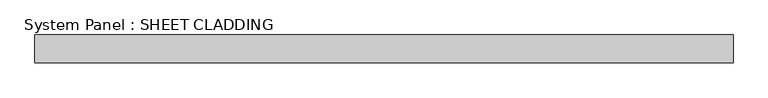
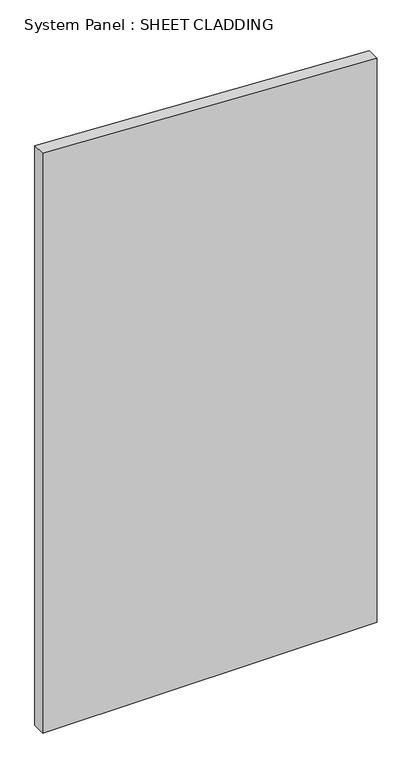
"""IFC4 building model written with IfcOpenShell, lengths in millimetres: plate geometry, System Panel : SHEET CLADDING."""

from ifc_helpers import new_model, si_unit, frame, origin, place, context, project, spatial, polyline, outline, extrude, source, transform, mapped, element, save


def system_panel_sheet_cladding_80c2ac6c(model_context):
    return source(origin(), model_context, "Body", "SweptSolid", [
        extrude(outline(polyline([(0.0, -750.0), (0.0, 750.0), (2672.5, 750.0), (2747.5, -750.0), (0.0, -750.0)])), frame((0.0, -10.5, 0.0), z_axis=(0.0, 1.0, 0.0), x_axis=(0.0, 0.0, 1.0)), (0.0, 0.0, 1.0), 60.0),
    ])


if __name__ == "__main__":
    model = new_model("IFC4")
    model_context = context("Model", 3, world=origin())
    ifc_project = project(units=[si_unit("LENGTHUNIT", "METRE", prefix="MILLI")], contexts=[model_context])
    site = spatial("IfcSite", under=ifc_project)
    building = spatial("IfcBuilding", under=site)
    placement = place(None, origin())
    system_panel_sheet_cladding_shape = system_panel_sheet_cladding_80c2ac6c(model_context)
    element("IfcPlate", 1, ObjectType="System Panel : SHEET CLADDING", at=placement, inside=building, context=model_context, shape_type="MappedRepresentation", body=[
        mapped(system_panel_sheet_cladding_shape, transform((0.0, 0.0, 0.0), x_axis=(1.0, 0.0, 0.0), y_axis=(0.0, 1.0, 0.0), z_axis=(0.0, 0.0, 1.0))),
    ])
    save(model, "model.ifc")
